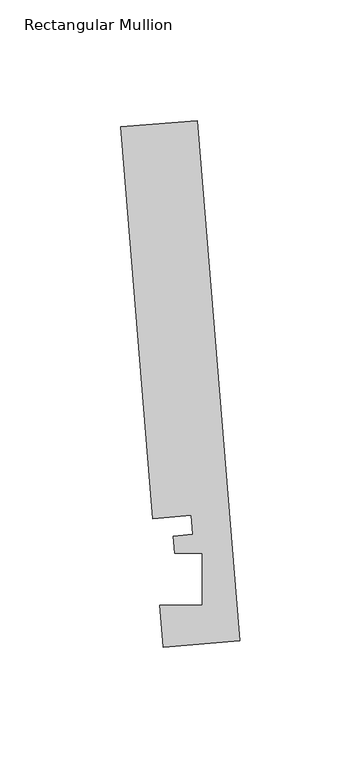
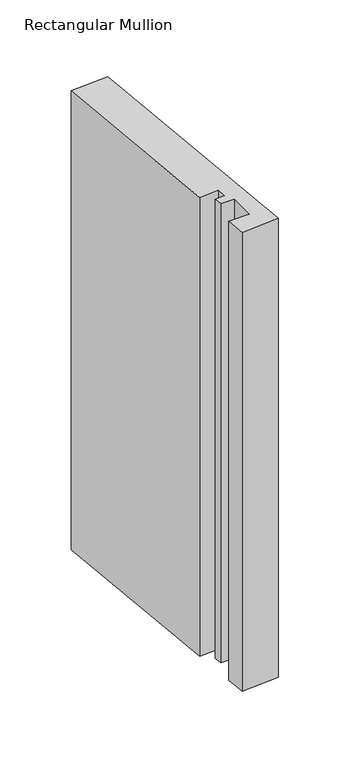
"""IFC4 building model written with IfcOpenShell, lengths in millimetres: member geometry, Rectangular Mullion."""

from ifc_helpers import new_model, si_unit, frame, origin, place, context, project, spatial, polyline, outline, extrude, source, transform, mapped, element, save


def rectangular_mullion_c3ec65fa(model_context):
    return source(origin(), model_context, "Body", "SweptSolid", [
        extrude(outline(polyline([(-0.2190396, 2.6699364), (-31.8627302, 0.0739116), (-33.2772473, 17.315866), (-15.8506254, 17.315866), (-15.848851, 38.9474576), (-27.100463, 38.9474576), (-27.6861262, 46.0862742), (-19.7625461, 46.7363188), (-20.4084371, 54.6092691), (-36.2302824, 53.3112566), (-49.5364672, 215.5041572), (-17.8927766, 218.100182), (-0.2190396, 2.6699364)])), frame((0.0, 0.0, -403.2830481), z_axis=(0.0, 0.0, 1.0), x_axis=(1.0, 0.0, 0.0)), (0.0, 0.0, 1.0), 403.2830481),
    ])


if __name__ == "__main__":
    model = new_model("IFC4")
    model_context = context("Model", 3, world=origin())
    ifc_project = project(units=[si_unit("LENGTHUNIT", "METRE", prefix="MILLI")], contexts=[model_context])
    site = spatial("IfcSite", under=ifc_project)
    building = spatial("IfcBuilding", under=site)
    placement = place(None, origin())
    rectangular_mullion_shape = rectangular_mullion_c3ec65fa(model_context)
    element("IfcMember", 1, ObjectType="Rectangular Mullion", at=placement, inside=building, context=model_context, shape_type="MappedRepresentation", body=[
        mapped(rectangular_mullion_shape, transform((0.0, 0.0, 0.0), x_axis=(1.0, 0.0, 0.0), y_axis=(0.0, 1.0, 0.0), z_axis=(0.0, 0.0, 1.0))),
    ])
    save(model, "model.ifc")
